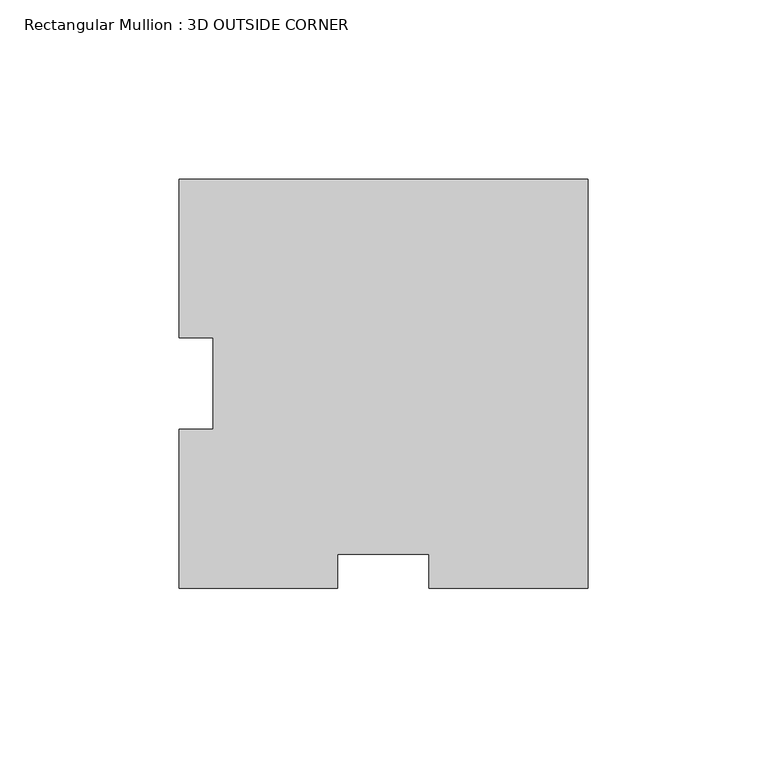
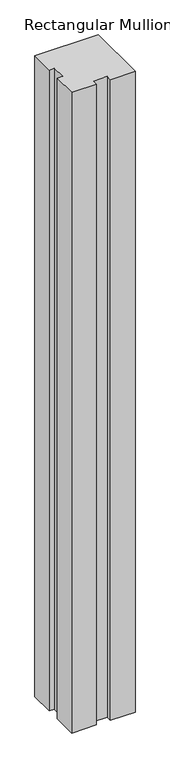
"""IFC4 building model written with IfcOpenShell, lengths in millimetres: member geometry, Rectangular Mullion : 3D OUTSIDE CORNER."""

import ifcopenshell
import ifcopenshell.guid

model = None  # the IFC model being written
_history = None  # IfcOwnerHistory: only IFC2X3 demands one
_inside = {}  # id of a spatial element -> (the spatial element, [elements in it])
_under = {}  # id of a project, library or spatial element -> (it, [spatial elements below it])
_declared = {}  # id of a project -> (the project, [libraries it declares])
_typed = {}  # id of a type object -> (the type object, [elements of that type])
_made_of = {}  # id of a material, layer set ... -> (it, [elements and type objects made of it])


def new_model(schema):
    """Start an empty IFC model of exactly this schema.

    Asked for "IFC4X3", IfcOpenShell would pick the latest addendum, in which some entities
    have other attributes; the version numbers below select the first issue.
    IFC2X3 requires an IfcOwnerHistory on every rooted entity: one is made here for all.
    """
    global model, _history
    if schema == "IFC4X3":
        model = ifcopenshell.file(schema_version=(4, 3, 0, 0))
    else:
        model = ifcopenshell.file(schema=schema)
    _inside.clear()
    _under.clear()
    _declared.clear()
    _typed.clear()
    _made_of.clear()
    _history = None
    if model.schema == "IFC2X3":
        org = make("IfcOrganization", Name="unknown")
        user = make(
            "IfcPersonAndOrganization",
            ThePerson=make("IfcPerson", FamilyName="unknown"),
            TheOrganization=org,
        )
        app = make(
            "IfcApplication",
            ApplicationDeveloper=org,
            Version="unknown",
            ApplicationFullName="unknown",
            ApplicationIdentifier="unknown",
        )
        _history = make(
            "IfcOwnerHistory",
            OwningUser=user,
            OwningApplication=app,
            ChangeAction="ADDED",
            CreationDate=0,
        )
    return model


def make(cls, **values):
    """One entity of the class cls with the attributes given. An attribute that is None is left unset."""
    return model.create_entity(
        cls, **{name: value for name, value in values.items() if value is not None}
    )


def rooted(cls, **values):
    """An entity with a GlobalId (a new one), such as an element, a storey or a relation."""
    return make(cls, GlobalId=ifcopenshell.guid.new(), OwnerHistory=_history, **values)


def si_unit(unit_type, name, prefix=None):
    """IfcSIUnit, for example si_unit("LENGTHUNIT", "METRE", prefix="MILLI")."""
    return make("IfcSIUnit", UnitType=unit_type, Prefix=prefix, Name=name)


def assignment(units):
    """IfcUnitAssignment: the units of a project."""
    return None if units is None else make("IfcUnitAssignment", Units=units)


def point(xyz):
    """IfcCartesianPoint."""
    return None if xyz is None else make("IfcCartesianPoint", Coordinates=xyz)


def direction(xyz):
    """IfcDirection."""
    return None if xyz is None else make("IfcDirection", DirectionRatios=xyz)


def frame(location, z_axis=None, x_axis=None):
    """IfcAxis2Placement3D, a coordinate frame: its origin and axes. An axis left out is left unset."""
    return make(
        "IfcAxis2Placement3D",
        Location=point(location),
        Axis=direction(z_axis),
        RefDirection=direction(x_axis),
    )


def origin():
    """The frame at (0, 0, 0) with its axes left unset."""
    return frame((0.0, 0.0, 0.0))


def place(relative_to, where):
    """IfcLocalPlacement: puts the frame where relative to a parent placement (None: the world)."""
    return make(
        "IfcLocalPlacement", PlacementRelTo=relative_to, RelativePlacement=where
    )


def context(
    kind, dimensions, precision=None, world=None, true_north=None, identifier=None
):
    """IfcGeometricRepresentationContext, for example the 3D "Model" context."""
    return make(
        "IfcGeometricRepresentationContext",
        ContextIdentifier=identifier,
        ContextType=kind,
        CoordinateSpaceDimension=dimensions,
        Precision=precision,
        WorldCoordinateSystem=world,
        TrueNorth=true_north,
    )


def project(units=None, contexts=None):
    """IfcProject with its units and contexts."""
    return rooted(
        "IfcProject",
        Name="project",
        RepresentationContexts=contexts,
        UnitsInContext=assignment(units),
    )


def spatial(cls, under=None, at=None, **own):
    """A site, building, storey or space (cls), placed at a placement, below another one or the project."""
    s = rooted(cls, ObjectPlacement=at, **own)
    if under is not None:
        _under.setdefault(under.id(), (under, []))[1].append(s)
    return s


def polyline(points):
    """IfcPolyline through the points."""
    return make("IfcPolyline", Points=[point(p) for p in points])


def outline(outer, holes=None, kind="AREA"):
    """IfcArbitraryClosedProfileDef: a profile drawn as a closed curve; with holes, ...WithVoids."""
    if holes is None:
        return make("IfcArbitraryClosedProfileDef", ProfileType=kind, OuterCurve=outer)
    return make(
        "IfcArbitraryProfileDefWithVoids",
        ProfileType=kind,
        OuterCurve=outer,
        InnerCurves=holes,
    )


def extrude(swept, where, along, depth):
    """IfcExtrudedAreaSolid: the profile swept, set in the frame where, extruded along a direction by depth."""
    return make(
        "IfcExtrudedAreaSolid",
        SweptArea=swept,
        Position=where,
        ExtrudedDirection=direction(along),
        Depth=depth,
    )


def shape(context_of_items, identifier, shape_type, items):
    """IfcShapeRepresentation: the items that make up one representation, for example the "Body"."""
    return make(
        "IfcShapeRepresentation",
        ContextOfItems=context_of_items,
        RepresentationIdentifier=identifier,
        RepresentationType=shape_type,
        Items=items,
    )


def source(mapping_origin, context_of_items, identifier, shape_type, items):
    """IfcRepresentationMap: a shape defined once, which mapped items show again and again."""
    return make(
        "IfcRepresentationMap",
        MappingOrigin=mapping_origin,
        MappedRepresentation=shape(context_of_items, identifier, shape_type, items),
    )


def transform(
    local_origin,
    x_axis=None,
    y_axis=None,
    z_axis=None,
    scale=None,
    scale2=None,
    scale3=None,
    uniform=True,
):
    """IfcCartesianTransformationOperator3D, or its non-uniform kind. x_axis, y_axis, z_axis: its Axis1, 2, 3."""
    if uniform:
        return make(
            "IfcCartesianTransformationOperator3D",
            Axis1=direction(x_axis),
            Axis2=direction(y_axis),
            LocalOrigin=point(local_origin),
            Scale=scale,
            Axis3=direction(z_axis),
        )
    return make(
        "IfcCartesianTransformationOperator3DnonUniform",
        Axis1=direction(x_axis),
        Axis2=direction(y_axis),
        LocalOrigin=point(local_origin),
        Scale=scale,
        Axis3=direction(z_axis),
        Scale2=scale2,
        Scale3=scale3,
    )


def mapped(mapping_source, mapping_target):
    """IfcMappedItem: shows the shape of a source again, moved by a transform."""
    return make(
        "IfcMappedItem", MappingSource=mapping_source, MappingTarget=mapping_target
    )


def made_of(thing, what):
    """Note that an element or type object is made of a material, layer set ...; save() writes the relation."""
    if what is not None:
        _made_of.setdefault(what.id(), (what, []))[1].append(thing)
    return thing


def element(
    cls,
    number,
    at=None,
    inside=None,
    cuts=None,
    type_object=None,
    material=None,
    context=None,
    identifier="Body",
    shape_type=None,
    held_by="IfcProductDefinitionShape",
    body=None,
    shapes=None,
    **own,
):
    """One element of the class cls, such as IfcWall. Its Tag is "e" and its number.

    at: its placement. inside: the storey or other place that contains it. cuts: it is an
    opening in that element (IfcRelVoidsElement). A single representation is given by context,
    identifier, shape_type and body (its items); several are given by shapes. held_by: the class
    of the entity that holds the representations. save() writes the other relations.
    """
    e = rooted(cls, Tag="e%d" % number, ObjectPlacement=at, **own)
    if body is not None:
        shapes = [shape(context, identifier, shape_type, body)]
    if shapes is not None:
        e.Representation = make(held_by, Representations=shapes)
    if inside is not None:
        _inside.setdefault(inside.id(), (inside, []))[1].append(e)
    if cuts is not None:
        rooted(
            "IfcRelVoidsElement", RelatingBuildingElement=cuts, RelatedOpeningElement=e
        )
    if type_object is not None:
        _typed.setdefault(type_object.id(), (type_object, []))[1].append(e)
    return made_of(e, material)


def aggregate(whole, parts):
    """IfcRelAggregates: a whole, such as a stair, and the parts it consists of."""
    return rooted("IfcRelAggregates", RelatingObject=whole, RelatedObjects=parts)


def save(model, path):
    """Write the relations noted so far, then the file.

    IfcRelAggregates (storeys below a building ...), IfcRelContainedInSpatialStructure (elements
    in a storey), IfcRelDefinesByType, IfcRelAssociatesMaterial and IfcRelDeclares: one each for
    every whole, place, type object, material and project.
    """
    for whole, parts in _under.values():
        aggregate(whole, parts)
    for where, things in _inside.values():
        rooted(
            "IfcRelContainedInSpatialStructure",
            RelatedElements=things,
            RelatingStructure=where,
        )
    for kind, things in _typed.values():
        rooted("IfcRelDefinesByType", RelatedObjects=things, RelatingType=kind)
    for what, things in _made_of.values():
        rooted("IfcRelAssociatesMaterial", RelatedObjects=things, RelatingMaterial=what)
    for by, libraries in _declared.values():
        rooted("IfcRelDeclares", RelatingContext=by, RelatedDefinitions=libraries)
    model.write(path)


def rectangular_mullion_3d_outside_corner_ebf3cd09(model_context):
    return source(origin(), model_context, "Body", "SweptSolid", [
        extrude(outline(polyline([(0.0, 57.15), (0.0, -57.15), (-44.4061508, -57.15), (-44.4061508, -47.625), (-69.8938492, -47.625), (-69.8938492, -57.15), (-114.3, -57.15), (-114.3, -12.7438492), (-104.775, -12.7438492), (-104.775, 12.7438492), (-114.3, 12.7438492), (-114.3, 57.15), (0.0, 57.15)])), frame((0.0, 0.0, -1219.2), z_axis=(0.0, 0.0, 1.0), x_axis=(1.0, 0.0, 0.0)), (0.0, 0.0, 1.0), 1219.2),
    ])


if __name__ == "__main__":
    model = new_model("IFC4")
    model_context = context("Model", 3, world=origin())
    ifc_project = project(units=[si_unit("LENGTHUNIT", "METRE", prefix="MILLI")], contexts=[model_context])
    site = spatial("IfcSite", under=ifc_project)
    building = spatial("IfcBuilding", under=site)
    placement = place(None, origin())
    rectangular_mullion_3d_outside_corner_shape = rectangular_mullion_3d_outside_corner_ebf3cd09(model_context)
    element("IfcMember", 1, ObjectType="Rectangular Mullion : 3D OUTSIDE CORNER", at=placement, inside=building, context=model_context, shape_type="MappedRepresentation", body=[
        mapped(rectangular_mullion_3d_outside_corner_shape, transform((0.0, 0.0, 0.0), x_axis=(1.0, 0.0, 0.0), y_axis=(0.0, 1.0, 0.0), z_axis=(0.0, 0.0, 1.0))),
    ])
    save(model, "model.ifc")
